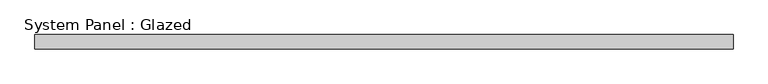
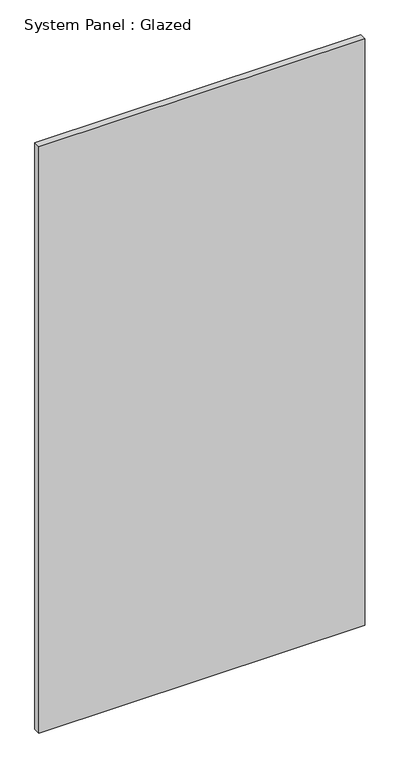
"""IFC4 building model written with IfcOpenShell, lengths in millimetres: plate geometry, System Panel : Glazed."""

from ifc_helpers import new_model, si_unit, origin, origin_with_axes, place, context, project, spatial, polyline, outline, extrude, source, transform, mapped, element, save


def system_panel_glazed_2d5d3528(model_context):
    return source(origin(), model_context, "Body", "SweptSolid", [
        extrude(outline(polyline([(615.95, -44.45), (-615.95, -44.45), (-615.95, -19.05), (615.95, -19.05), (615.95, -44.45)])), origin_with_axes(), (0.0, 0.0, 1.0), 2343.15),
    ])


if __name__ == "__main__":
    model = new_model("IFC4")
    model_context = context("Model", 3, world=origin())
    ifc_project = project(units=[si_unit("LENGTHUNIT", "METRE", prefix="MILLI")], contexts=[model_context])
    site = spatial("IfcSite", under=ifc_project)
    building = spatial("IfcBuilding", under=site)
    placement = place(None, origin())
    system_panel_glazed_shape = system_panel_glazed_2d5d3528(model_context)
    element("IfcPlate", 1, ObjectType="System Panel : Glazed", at=placement, inside=building, context=model_context, shape_type="MappedRepresentation", body=[
        mapped(system_panel_glazed_shape, transform((0.0, 0.0, 0.0), x_axis=(1.0, 0.0, 0.0), y_axis=(0.0, 1.0, 0.0), z_axis=(0.0, 0.0, 1.0))),
    ])
    save(model, "model.ifc")
